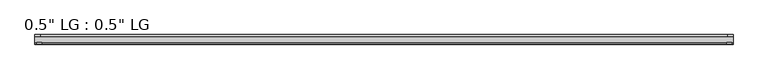
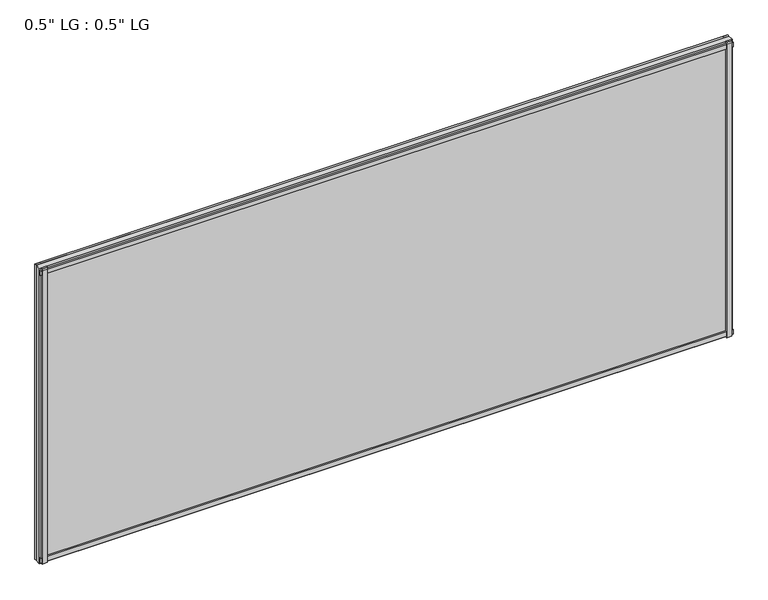
"""IFC4 building model written with IfcOpenShell, lengths in millimetres: plate geometry."""

from ifc_helpers import new_model, si_unit, frame, origin, origin_with_axes, place, context, project, spatial, polyline, outline, extrude, source, transform, mapped, element, save


def plate_e65789fe(model_context):
    return source(origin(), model_context, "Body", "SweptSolid", [
        extrude(outline(polyline([(825.5, 33.3271813), (813.3623204, 33.3271813), (813.3623204, 38.0007813), (825.5, 38.0007813), (825.5, 33.3271813)])), origin_with_axes(), (0.0, 0.0, 1.0), 744.6980689),
        extrude(outline(polyline([(821.9686463, 15.5217813), (809.9562225, 15.5217813), (809.9562225, 19.7127813), (821.9686463, 19.7127813), (821.9686463, 15.5217813)])), origin_with_axes(), (0.0, 0.0, 1.0), 744.6980689),
        extrude(outline(polyline([(-813.209422, 38.0007812), (-813.209422, 33.3271813), (-825.5, 33.3271813), (-825.5, 38.0007812), (-813.209422, 38.0007812)])), origin_with_axes(), (0.0, 0.0, 1.0), 744.6980689),
        extrude(outline(polyline([(-809.2501841, 19.7127813), (-809.2501841, 15.5217812), (-821.5407621, 15.5217812), (-821.5407621, 19.7127813), (-809.2501841, 19.7127813)])), origin_with_axes(), (0.0, 0.0, 1.0), 744.6980689),
        extrude(outline(polyline([(825.5, 33.3271813), (-825.5, 33.3271813), (-825.5, 38.0007812), (825.5, 38.0007813), (825.5, 33.3271813)])), origin_with_axes(), (0.0, 0.0, 1.0), 11.1693096),
        extrude(outline(polyline([(825.5, 15.3590708), (-825.5, 15.3590708), (-825.5, 20.1364307), (825.5, 20.1364307), (825.5, 15.3590708)])), frame((0.0, 0.0, 3.848913), z_axis=(0.0, 0.0, 1.0), x_axis=(1.0, 0.0, 0.0)), (0.0, 0.0, 1.0), 11.1693096),
        extrude(outline(polyline([(825.5, 33.3271813), (-825.5, 33.3271812), (-825.5, 38.0007812), (825.5, 38.0007813), (825.5, 33.3271813)])), frame((0.0, 0.0, 733.516963), z_axis=(0.0, 0.0, 1.0), x_axis=(1.0, 0.0, 0.0)), (0.0, 0.0, 1.0), 11.1811058),
        extrude(outline(polyline([(825.5, 15.5217813), (-825.5, 15.5217813), (-825.5, 19.7127812), (825.5, 19.7127813), (825.5, 15.5217813)])), frame((0.0, 0.0, 728.9578163), z_axis=(0.0, 0.0, 1.0), x_axis=(1.0, 0.0, 0.0)), (0.0, 0.0, 1.0), 11.1811058),
        extrude(outline(polyline([(825.5, 33.3271812), (825.5, 19.7127812), (-825.5, 19.7127812), (-825.5, 33.3271812), (825.5, 33.3271812)])), origin_with_axes(), (0.0, 0.0, 1.0), 744.6980689),
    ])


if __name__ == "__main__":
    model = new_model("IFC4")
    model_context = context("Model", 3, world=origin())
    ifc_project = project(units=[si_unit("LENGTHUNIT", "METRE", prefix="MILLI")], contexts=[model_context])
    site = spatial("IfcSite", under=ifc_project)
    building = spatial("IfcBuilding", under=site)
    placement = place(None, origin())
    plate_shape = plate_e65789fe(model_context)
    element("IfcPlate", 1, ObjectType="0.5\" LG : 0.5\" LG", at=placement, inside=building, context=model_context, shape_type="MappedRepresentation", body=[
        mapped(plate_shape, transform((0.0, 0.0, 0.0), x_axis=(1.0, 0.0, 0.0), y_axis=(0.0, 1.0, 0.0), z_axis=(0.0, 0.0, 1.0))),
    ])
    save(model, "model.ifc")
